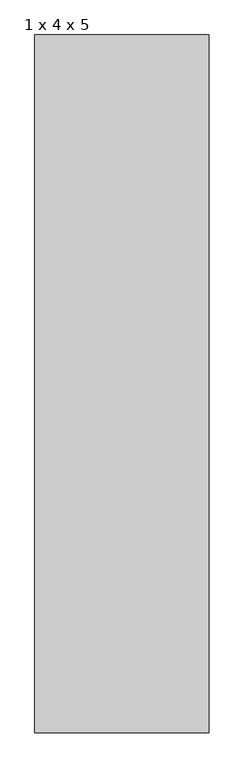
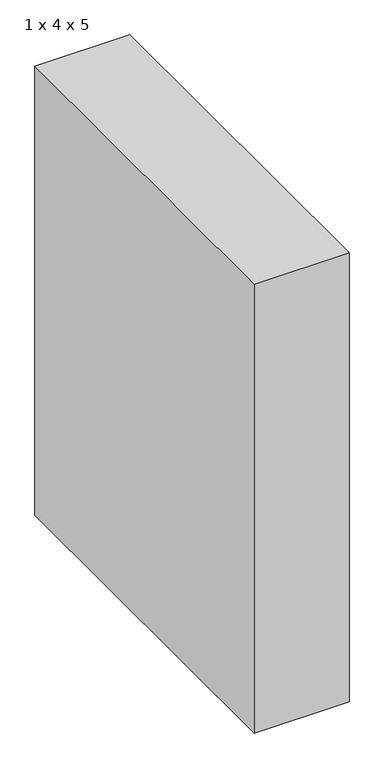
"""IFC4 building model written with IfcOpenShell, lengths in millimetres: proxy geometry, 1 x 4 x 5."""

from ifc_helpers import new_model, si_unit, origin, origin_with_axes, place, context, project, spatial, polyline, outline, extrude, source, transform, mapped, element, save


def proxy_1_x_4_x_5_ff5f0278(model_context):
    return source(origin(), model_context, "Body", "SweptSolid", [
        extrude(outline(polyline([(1000.0, 4000.0), (1000.0, 0.0), (0.0, 0.0), (0.0, 4000.0), (1000.0, 4000.0)])), origin_with_axes(), (0.0, 0.0, 1.0), 5000.0),
    ])


if __name__ == "__main__":
    model = new_model("IFC4")
    model_context = context("Model", 3, world=origin())
    ifc_project = project(units=[si_unit("LENGTHUNIT", "METRE", prefix="MILLI")], contexts=[model_context])
    site = spatial("IfcSite", under=ifc_project)
    building = spatial("IfcBuilding", under=site)
    placement = place(None, origin())
    proxy_1_x_4_x_5_shape = proxy_1_x_4_x_5_ff5f0278(model_context)
    element("IfcBuildingElementProxy", 1, Name="1 x 4 x 5", ObjectType="1 x 4 x 5", at=placement, inside=building, context=model_context, shape_type="MappedRepresentation", body=[
        mapped(proxy_1_x_4_x_5_shape, transform((0.0, 0.0, 0.0), x_axis=(1.0, 0.0, 0.0), y_axis=(0.0, 1.0, 0.0), z_axis=(0.0, 0.0, 1.0))),
    ])
    save(model, "model.ifc")
